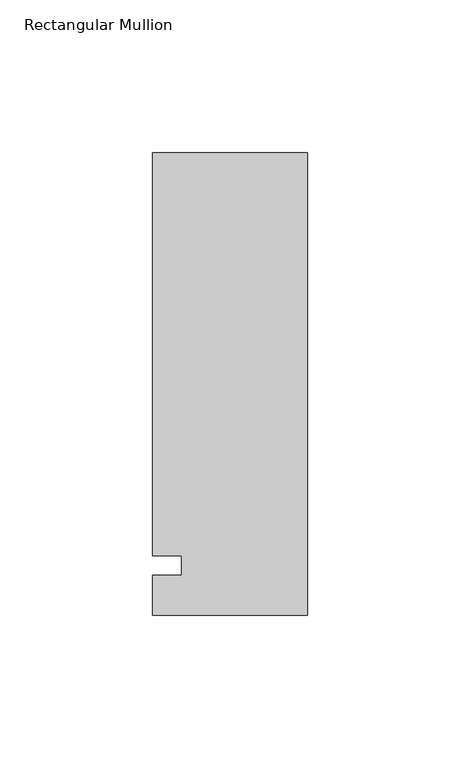
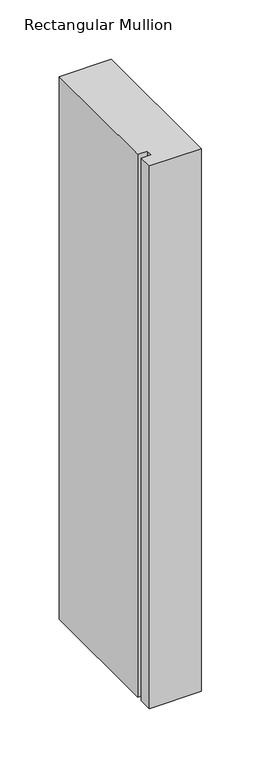
"""IFC4 building model written with IfcOpenShell, lengths in millimetres: member geometry, Rectangular Mullion."""

from ifc_helpers import new_model, si_unit, frame, origin, place, context, project, spatial, polyline, outline, extrude, source, transform, mapped, element, save


def rectangular_mullion_4cd8ecf8(model_context):
    return source(origin(), model_context, "Body", "SweptSolid", [
        extrude(outline(polyline([(-50.8, -25.7961253), (-50.8, -12.7), (-41.275, -12.7), (-41.275, -6.35), (-50.8, -6.35), (-50.8, 125.8036906), (0.0, 125.8036906), (0.0, -25.7961253), (-50.8, -25.7961253)])), frame((0.0, 0.0, -558.8), z_axis=(0.0, 0.0, 1.0), x_axis=(1.0, 0.0, 0.0)), (0.0, 0.0, 1.0), 558.8),
    ])


if __name__ == "__main__":
    model = new_model("IFC4")
    model_context = context("Model", 3, world=origin())
    ifc_project = project(units=[si_unit("LENGTHUNIT", "METRE", prefix="MILLI")], contexts=[model_context])
    site = spatial("IfcSite", under=ifc_project)
    building = spatial("IfcBuilding", under=site)
    placement = place(None, origin())
    rectangular_mullion_shape = rectangular_mullion_4cd8ecf8(model_context)
    element("IfcMember", 1, ObjectType="Rectangular Mullion", at=placement, inside=building, context=model_context, shape_type="MappedRepresentation", body=[
        mapped(rectangular_mullion_shape, transform((0.0, 0.0, 0.0), x_axis=(1.0, 0.0, 0.0), y_axis=(0.0, 1.0, 0.0), z_axis=(0.0, 0.0, 1.0))),
    ])
    save(model, "model.ifc")
